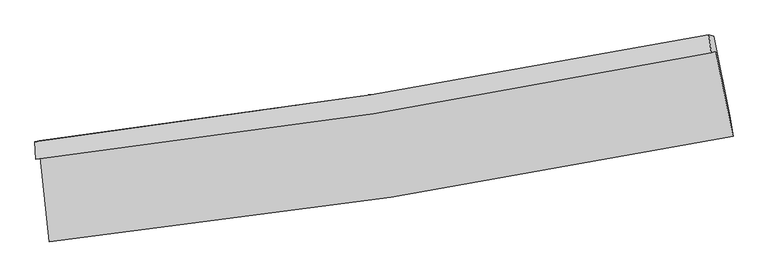
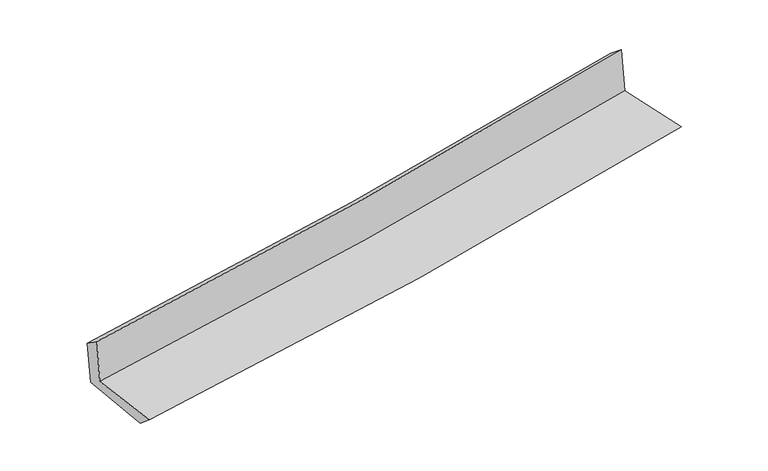
"""IFC4 building model written with IfcOpenShell, lengths in millimetres: proxy geometry."""

import ifcopenshell
import ifcopenshell.guid

model = None  # the IFC model being written
_history = None  # IfcOwnerHistory: only IFC2X3 demands one
_inside = {}  # id of a spatial element -> (the spatial element, [elements in it])
_under = {}  # id of a project, library or spatial element -> (it, [spatial elements below it])
_declared = {}  # id of a project -> (the project, [libraries it declares])
_typed = {}  # id of a type object -> (the type object, [elements of that type])
_made_of = {}  # id of a material, layer set ... -> (it, [elements and type objects made of it])


def new_model(schema):
    """Start an empty IFC model of exactly this schema.

    Asked for "IFC4X3", IfcOpenShell would pick the latest addendum, in which some entities
    have other attributes; the version numbers below select the first issue.
    IFC2X3 requires an IfcOwnerHistory on every rooted entity: one is made here for all.
    """
    global model, _history
    if schema == "IFC4X3":
        model = ifcopenshell.file(schema_version=(4, 3, 0, 0))
    else:
        model = ifcopenshell.file(schema=schema)
    _inside.clear()
    _under.clear()
    _declared.clear()
    _typed.clear()
    _made_of.clear()
    _history = None
    if model.schema == "IFC2X3":
        org = make("IfcOrganization", Name="unknown")
        user = make(
            "IfcPersonAndOrganization",
            ThePerson=make("IfcPerson", FamilyName="unknown"),
            TheOrganization=org,
        )
        app = make(
            "IfcApplication",
            ApplicationDeveloper=org,
            Version="unknown",
            ApplicationFullName="unknown",
            ApplicationIdentifier="unknown",
        )
        _history = make(
            "IfcOwnerHistory",
            OwningUser=user,
            OwningApplication=app,
            ChangeAction="ADDED",
            CreationDate=0,
        )
    return model


def make(cls, **values):
    """One entity of the class cls with the attributes given. An attribute that is None is left unset."""
    return model.create_entity(
        cls, **{name: value for name, value in values.items() if value is not None}
    )


def rooted(cls, **values):
    """An entity with a GlobalId (a new one), such as an element, a storey or a relation."""
    return make(cls, GlobalId=ifcopenshell.guid.new(), OwnerHistory=_history, **values)


def si_unit(unit_type, name, prefix=None):
    """IfcSIUnit, for example si_unit("LENGTHUNIT", "METRE", prefix="MILLI")."""
    return make("IfcSIUnit", UnitType=unit_type, Prefix=prefix, Name=name)


def assignment(units):
    """IfcUnitAssignment: the units of a project."""
    return None if units is None else make("IfcUnitAssignment", Units=units)


def point(xyz):
    """IfcCartesianPoint."""
    return None if xyz is None else make("IfcCartesianPoint", Coordinates=xyz)


def direction(xyz):
    """IfcDirection."""
    return None if xyz is None else make("IfcDirection", DirectionRatios=xyz)


def frame(location, z_axis=None, x_axis=None):
    """IfcAxis2Placement3D, a coordinate frame: its origin and axes. An axis left out is left unset."""
    return make(
        "IfcAxis2Placement3D",
        Location=point(location),
        Axis=direction(z_axis),
        RefDirection=direction(x_axis),
    )


def origin():
    """The frame at (0, 0, 0) with its axes left unset."""
    return frame((0.0, 0.0, 0.0))


def place(relative_to, where):
    """IfcLocalPlacement: puts the frame where relative to a parent placement (None: the world)."""
    return make(
        "IfcLocalPlacement", PlacementRelTo=relative_to, RelativePlacement=where
    )


def context(
    kind, dimensions, precision=None, world=None, true_north=None, identifier=None
):
    """IfcGeometricRepresentationContext, for example the 3D "Model" context."""
    return make(
        "IfcGeometricRepresentationContext",
        ContextIdentifier=identifier,
        ContextType=kind,
        CoordinateSpaceDimension=dimensions,
        Precision=precision,
        WorldCoordinateSystem=world,
        TrueNorth=true_north,
    )


def project(units=None, contexts=None):
    """IfcProject with its units and contexts."""
    return rooted(
        "IfcProject",
        Name="project",
        RepresentationContexts=contexts,
        UnitsInContext=assignment(units),
    )


def spatial(cls, under=None, at=None, **own):
    """A site, building, storey or space (cls), placed at a placement, below another one or the project."""
    s = rooted(cls, ObjectPlacement=at, **own)
    if under is not None:
        _under.setdefault(under.id(), (under, []))[1].append(s)
    return s


def shape(context_of_items, identifier, shape_type, items):
    """IfcShapeRepresentation: the items that make up one representation, for example the "Body"."""
    return make(
        "IfcShapeRepresentation",
        ContextOfItems=context_of_items,
        RepresentationIdentifier=identifier,
        RepresentationType=shape_type,
        Items=items,
    )


def source(mapping_origin, context_of_items, identifier, shape_type, items):
    """IfcRepresentationMap: a shape defined once, which mapped items show again and again."""
    return make(
        "IfcRepresentationMap",
        MappingOrigin=mapping_origin,
        MappedRepresentation=shape(context_of_items, identifier, shape_type, items),
    )


def transform(
    local_origin,
    x_axis=None,
    y_axis=None,
    z_axis=None,
    scale=None,
    scale2=None,
    scale3=None,
    uniform=True,
):
    """IfcCartesianTransformationOperator3D, or its non-uniform kind. x_axis, y_axis, z_axis: its Axis1, 2, 3."""
    if uniform:
        return make(
            "IfcCartesianTransformationOperator3D",
            Axis1=direction(x_axis),
            Axis2=direction(y_axis),
            LocalOrigin=point(local_origin),
            Scale=scale,
            Axis3=direction(z_axis),
        )
    return make(
        "IfcCartesianTransformationOperator3DnonUniform",
        Axis1=direction(x_axis),
        Axis2=direction(y_axis),
        LocalOrigin=point(local_origin),
        Scale=scale,
        Axis3=direction(z_axis),
        Scale2=scale2,
        Scale3=scale3,
    )


def mapped(mapping_source, mapping_target):
    """IfcMappedItem: shows the shape of a source again, moved by a transform."""
    return make(
        "IfcMappedItem", MappingSource=mapping_source, MappingTarget=mapping_target
    )


def made_of(thing, what):
    """Note that an element or type object is made of a material, layer set ...; save() writes the relation."""
    if what is not None:
        _made_of.setdefault(what.id(), (what, []))[1].append(thing)
    return thing


def element(
    cls,
    number,
    at=None,
    inside=None,
    cuts=None,
    type_object=None,
    material=None,
    context=None,
    identifier="Body",
    shape_type=None,
    held_by="IfcProductDefinitionShape",
    body=None,
    shapes=None,
    **own,
):
    """One element of the class cls, such as IfcWall. Its Tag is "e" and its number.

    at: its placement. inside: the storey or other place that contains it. cuts: it is an
    opening in that element (IfcRelVoidsElement). A single representation is given by context,
    identifier, shape_type and body (its items); several are given by shapes. held_by: the class
    of the entity that holds the representations. save() writes the other relations.
    """
    e = rooted(cls, Tag="e%d" % number, ObjectPlacement=at, **own)
    if body is not None:
        shapes = [shape(context, identifier, shape_type, body)]
    if shapes is not None:
        e.Representation = make(held_by, Representations=shapes)
    if inside is not None:
        _inside.setdefault(inside.id(), (inside, []))[1].append(e)
    if cuts is not None:
        rooted(
            "IfcRelVoidsElement", RelatingBuildingElement=cuts, RelatedOpeningElement=e
        )
    if type_object is not None:
        _typed.setdefault(type_object.id(), (type_object, []))[1].append(e)
    return made_of(e, material)


def aggregate(whole, parts):
    """IfcRelAggregates: a whole, such as a stair, and the parts it consists of."""
    return rooted("IfcRelAggregates", RelatingObject=whole, RelatedObjects=parts)


def save(model, path):
    """Write the relations noted so far, then the file.

    IfcRelAggregates (storeys below a building ...), IfcRelContainedInSpatialStructure (elements
    in a storey), IfcRelDefinesByType, IfcRelAssociatesMaterial and IfcRelDeclares: one each for
    every whole, place, type object, material and project.
    """
    for whole, parts in _under.values():
        aggregate(whole, parts)
    for where, things in _inside.values():
        rooted(
            "IfcRelContainedInSpatialStructure",
            RelatedElements=things,
            RelatingStructure=where,
        )
    for kind, things in _typed.values():
        rooted("IfcRelDefinesByType", RelatedObjects=things, RelatingType=kind)
    for what, things in _made_of.values():
        rooted("IfcRelAssociatesMaterial", RelatedObjects=things, RelatingMaterial=what)
    for by, libraries in _declared.values():
        rooted("IfcRelDeclares", RelatingContext=by, RelatedDefinitions=libraries)
    model.write(path)


def plane_surface(at):
    """IfcPlane: the flat surface through the origin of the frame at, square to its z axis."""
    return make("IfcPlane", Position=at)


def spline_curve(degree, points, multiplicities, knots, weights=None):
    """IfcBSplineCurveWithKnots; with weights, IfcRationalBSplineCurveWithKnots."""
    own = dict(
        Degree=degree,
        ControlPointsList=[point(p) for p in points],
        CurveForm="UNSPECIFIED",
        ClosedCurve=False,
        SelfIntersect=False,
        KnotMultiplicities=multiplicities,
        Knots=knots,
        KnotSpec="UNSPECIFIED",
    )
    if weights is None:
        return make("IfcBSplineCurveWithKnots", **own)
    return make("IfcRationalBSplineCurveWithKnots", WeightsData=weights, **own)


def spline_surface(u_degree, v_degree, points, u_multiplicities, v_multiplicities, u_knots, v_knots, weights=None):
    """IfcBSplineSurfaceWithKnots; with weights, IfcRationalBSplineSurfaceWithKnots. points: one row for each step in u."""
    own = dict(
        UDegree=u_degree,
        VDegree=v_degree,
        ControlPointsList=[[point(p) for p in row] for row in points],
        SurfaceForm="UNSPECIFIED",
        UClosed=False,
        VClosed=False,
        SelfIntersect=False,
        UMultiplicities=u_multiplicities,
        VMultiplicities=v_multiplicities,
        UKnots=u_knots,
        VKnots=v_knots,
        KnotSpec="UNSPECIFIED",
    )
    if weights is None:
        return make("IfcBSplineSurfaceWithKnots", **own)
    return make("IfcRationalBSplineSurfaceWithKnots", WeightsData=weights, **own)


def advanced_brep(points, edges, surfaces, faces):
    """IfcAdvancedBrep: a solid bounded by faces that lie on surfaces and meet in shared edges.

    An edge is (start, end): straight between two places in points (the first is 0);
    or (start, end, curve); or (start, end, curve, False) where it runs against its curve.
    A face is (place in surfaces, loops), or (place, loops, False) where it looks against
    its surface's normal. A loop lists edges by number (the first is 1), with a minus sign
    where the edge is run from its end to its start. The first loop is the outer one.
    """
    corners = [point(p) for p in points]
    vertices = [make("IfcVertexPoint", VertexGeometry=c) for c in corners]
    made = []
    for start, end, *more in edges:
        made.append(
            make(
                "IfcEdgeCurve",
                EdgeStart=vertices[start],
                EdgeEnd=vertices[end],
                EdgeGeometry=more[0] if more else make("IfcPolyline", Points=[corners[start], corners[end]]),
                SameSense=more[1] if len(more) > 1 else True,
            )
        )
    hull = []
    for where, loops, *sense in faces:
        bounds = []
        for j, loop in enumerate(loops):
            ring = [make("IfcOrientedEdge", EdgeElement=made[abs(k) - 1], Orientation=k > 0) for k in loop]
            bounds.append(
                make(
                    "IfcFaceOuterBound" if j == 0 else "IfcFaceBound",
                    Bound=make("IfcEdgeLoop", EdgeList=ring),
                    Orientation=True,
                )
            )
        hull.append(make("IfcAdvancedFace", Bounds=bounds, FaceSurface=surfaces[where], SameSense=sense[0] if sense else True))
    return make("IfcAdvancedBrep", Outer=make("IfcClosedShell", CfsFaces=hull))


def generic_models_86358c20(model_context):
    return source(origin(), model_context, "Body", "AdvancedBrep", [
        advanced_brep(
        [(-2663.7321532, -1886.6990429, 1643.2254376), (-2591.7327989, -2546.3247598, 1646.7640519), (2752.9170543, -1722.5396859, 2110.4621953), (2618.5736203, -1058.8994245, 2105.2358688), (-2698.5766402, -1902.108245, 2049.4792111), (2582.6108703, -1071.0859009, 2519.9957365), (-2704.9290744, -1763.7936771, 1951.4951014), (2564.1161495, -930.0174984, 2410.3102462), (-2670.3578163, -1757.8462817, 1559.814735), (2599.9283928, -938.9691455, 2043.5129056), (-2595.8936339, -2415.0605885, 1533.0048401), (2732.4951195, -1581.6456055, 2021.9538565)],
        [
            (0, 1),
            (1, 2, spline_curve(3, [(-2591.7327989, -2546.3247598, 1646.7640519), (-1699.235633972, -2450.087792899, 1720.574450065), (-809.726562747, -2333.747741606, 1795.927916735), (971.881412384, -2059.543086765, 1950.464000466), (1863.922292387, -1901.288113191, 2029.676581645), (2752.9170543, -1722.5396859, 2110.4621953)], [4, 2, 4], [0.0, 8.813479511772645, 17.7121193875907])),
            (2, 3),
            (3, 0, spline_curve(3, [(2618.5736203, -1058.8994245, 2105.2358688), (1739.804652092, -1234.28402354, 2028.340528415), (858.097504742, -1391.202939444, 1951.205729981), (-902.727054149, -1666.784402196, 1797.197691762), (-1781.788498061, -1785.798692126, 1720.32901295), (-2663.7321532, -1886.6990429, 1643.2254376)], [4, 2, 4], [0.0, 8.898639875818056, 17.7121193875907])),
            (4, 0),
            (3, 5),
            (5, 4, spline_curve(3, [(2582.6108703, -1071.0859009, 2519.9957365), (1704.219271646, -1248.197179794, 2442.180830293), (822.793989187, -1406.246433969, 2363.872785588), (-937.659635059, -1682.890778904, 2207.024550302), (-1816.630188934, -1801.848972749, 2128.493753246), (-2698.5766402, -1902.108245, 2049.4792111)], [4, 2, 4], [0.0, 8.848364738202571, 17.61205024757607])),
            (6, 4),
            (5, 7),
            (7, 6, spline_curve(3, [(2564.1161495, -930.0174984, 2410.3102462), (1687.445959097, -1102.577049395, 2331.323706609), (807.898852976, -1258.593080255, 2253.417176273), (-948.504356156, -1536.203343656, 2100.499367417), (-1825.305657794, -1658.112705813, 2025.467515914), (-2704.9290744, -1763.7936771, 1951.4951014)], [4, 2, 4], [0.0, 8.83792256224708, 17.591265827735405])),
            (8, 6),
            (7, 9),
            (9, 8, spline_curve(3, [(2599.9283928, -938.9691455, 2043.5129056), (1723.807466357, -1114.409001026, 1958.599235785), (844.429259077, -1270.604705071, 1875.649816041), (-912.394856925, -1543.197178115, 1714.454508494), (-1789.778719594, -1659.960519404, 1636.171204647), (-2670.3578163, -1757.8462817, 1559.814735)], [4, 2, 4], [0.0, 8.828550116355217, 17.572610630659554])),
            (10, 8),
            (9, 11),
            (11, 10, spline_curve(3, [(2732.4951195, -1581.6456055, 2021.9538565), (1847.534815862, -1767.830848159, 1935.711996474), (958.869619573, -1930.596578661, 1851.659886061), (-817.330537277, -2207.955466669, 1688.718592224), (-1704.794925749, -2322.994730134, 1609.787696834), (-2595.8936339, -2415.0605885, 1533.0048401)], [4, 2, 4], [0.0, 8.879728120806428, 17.67447686387142])),
            (1, 10),
            (11, 2),
        ],
        [
            spline_surface(3, 3, [[(-2663.7321532, -1886.6990429, 1643.2254376), (-1781.788498119, -1785.798692221, 1720.329013065), (-902.727054236, -1666.784402107, 1797.197691674), (858.097504829, -1391.202939535, 1951.205730071), (1739.804652124, -1234.284023512, 2028.340528507), (2618.5736203, -1058.8994245, 2105.2358688)], [(-2639.732368424, -2106.574281866, 1644.404975704), (-1754.270876678, -2007.228392484, 1720.4108254), (-871.726890404, -1889.105515331, 1796.774433344), (896.02547398, -1613.982988584, 1950.958486903), (1781.177198845, -1456.618720094, 2028.785879574), (2663.35476496, -1280.112844947, 2106.977977614)], [(-2615.732583676, -2326.449520834, 1645.584513796), (-1726.753255267, -2228.658092749, 1720.492637725), (-840.726726525, -2111.426628509, 1796.35117499), (933.953443178, -1836.763037588, 1950.71124371), (1822.549745585, -1678.953416735, 2029.231230698), (2708.13590964, -1501.326265453, 2108.720086486)], [(-2591.7327989, -2546.3247598, 1646.7640519), (-1699.235633826, -2450.087793013, 1720.57445006), (-809.726562693, -2333.747741733, 1795.92791666), (971.88141233, -2059.543086637, 1950.464000542), (1863.922292306, -1901.288113317, 2029.676581766), (2752.9170543, -1722.5396859, 2110.4621953)]], [4, 4], [4, 2, 4], [0.0, 2.2166417053186462], [0.0, 8.813479511772645, 17.7121193875907]),
            spline_surface(3, 3, [[(-2698.5766402, -1902.108245, 2049.4792111), (-1816.630188992, -1801.848972854, 2128.493753111), (-937.659634929, -1682.89077897, 2207.024550263), (822.793989056, -1406.246433902, 2363.872785627), (1704.219271792, -1248.19717977, 2442.18083024), (2582.6108703, -1071.0859009, 2519.9957365)], [(-2686.96181118, -1896.971844316, 1914.061286618), (-1805.016292014, -1796.498879326, 1992.43883978), (-926.015441338, -1677.521986697, 2070.415597406), (834.561827673, -1401.231935794, 2226.317100448), (1716.081065233, -1243.559461044, 2304.234063006), (2594.59845363, -1067.023742127, 2381.742447278)], [(-2675.34698222, -1891.835443584, 1778.643362082), (-1793.402395096, -1791.14878575, 1856.383926396), (-914.371247826, -1672.15319438, 1933.806644531), (846.329666212, -1396.217437643, 2088.76141525), (1727.942858683, -1238.921742238, 2166.28729574), (2606.58603697, -1062.961583273, 2243.489158022)], [(-2663.7321532, -1886.6990429, 1643.2254376), (-1781.788498119, -1785.798692221, 1720.329013065), (-902.727054236, -1666.784402107, 1797.197691674), (858.097504829, -1391.202939535, 1951.205730071), (1739.804652124, -1234.284023512, 2028.340528507), (2618.5736203, -1058.8994245, 2105.2358688)]], [4, 4], [4, 2, 4], [0.0, 1.3551540800682613], [0.0, 8.7636855093735, 17.61205024757607]),
            spline_surface(3, 3, [[(-2704.9290744, -1763.7936771, 1951.4951014), (-1825.305657737, -1658.112705841, 2025.467516055), (-948.50435603, -1536.203343792, 2100.49936733), (807.898852848, -1258.593080117, 2253.417176361), (1687.44595915, -1102.577049293, 2331.323706714), (2564.1161495, -930.0174984, 2410.3102462)], [(-2702.811596358, -1809.898533056, 1984.156471286), (-1822.413834847, -1706.024794835, 2059.80959506), (-944.889448999, -1585.099155509, 2136.007761622), (812.863898248, -1307.810864703, 2290.235712763), (1693.037063378, -1151.11709278, 2368.276081241), (2570.281056447, -977.040299228, 2446.872076318)], [(-2700.694118242, -1856.003389044, 2016.817841214), (-1819.522011882, -1753.93688386, 2094.151674106), (-941.27454196, -1633.994967254, 2171.516155972), (817.828943656, -1357.028649317, 2327.054249224), (1698.628167564, -1199.657136283, 2405.228455713), (2576.445963353, -1024.063100072, 2483.433906382)], [(-2698.5766402, -1902.108245, 2049.4792111), (-1816.630188992, -1801.848972854, 2128.493753111), (-937.659634929, -1682.89077897, 2207.024550263), (822.793989056, -1406.246433902, 2363.872785627), (1704.219271792, -1248.19717977, 2442.18083024), (2582.6108703, -1071.0859009, 2519.9957365)]], [4, 4], [4, 2, 4], [0.0, 0.6013952325199804], [0.0, 8.753343265488326, 17.591265827735405]),
            spline_surface(3, 3, [[(-2670.3578163, -1757.8462817, 1559.814735), (-1789.778719459, -1659.960519501, 1636.171204679), (-912.394856925, -1543.197178193, 1714.454508513), (844.429259076, -1270.604704993, 1875.649816021), (1723.807466257, -1114.409000927, 1958.599235733), (2599.9283928, -938.9691455, 2043.5129056)], [(-2681.881568981, -1759.828746831, 1690.374857132), (-1801.6210322, -1659.344581612, 1765.936641803), (-924.431356644, -1540.86590006, 1843.136128131), (832.252456982, -1266.600830035, 2001.57226948), (1711.686963893, -1110.465017045, 2082.840726051), (2587.990978372, -935.98526313, 2165.778685791)], [(-2693.405321719, -1761.811211969, 1820.934979268), (-1813.463344997, -1658.72864373, 1895.702078931), (-936.46785631, -1538.534621925, 1971.817747713), (820.075654942, -1262.596955075, 2127.494722902), (1699.566461514, -1106.521033174, 2207.082216396), (2576.053563928, -933.00138077, 2288.044466009)], [(-2704.9290744, -1763.7936771, 1951.4951014), (-1825.305657737, -1658.112705841, 2025.467516055), (-948.50435603, -1536.203343792, 2100.49936733), (807.898852848, -1258.593080117, 2253.417176361), (1687.44595915, -1102.577049293, 2331.323706714), (2564.1161495, -930.0174984, 2410.3102462)]], [4, 4], [4, 2, 4], [0.0, 1.2588847088235364], [0.0, 8.744060514304337, 17.572610630659554]),
            spline_surface(3, 3, [[(-2595.8936339, -2415.0605885, 1533.0048401), (-1704.794925735, -2322.99473027, 1609.787696842), (-817.330537413, -2207.955466549, 1688.718592139), (958.86961971, -1930.596578782, 1851.659886148), (1847.534815826, -1767.830848179, 1935.711996328), (2732.4951195, -1581.6456055, 2021.9538565)], [(-2620.715028029, -2195.989152905, 1541.941471738), (-1733.122856972, -2101.983326685, 1618.582199459), (-849.018643918, -1986.36937043, 1697.297230933), (920.722832831, -1710.599287518, 1859.656529442), (1806.292365953, -1550.023565759, 1943.341076133), (2688.306210583, -1367.420118831, 2029.140206204)], [(-2645.536422171, -1976.917717295, 1550.878103362), (-1761.450788223, -1880.971923086, 1627.376702062), (-880.706750419, -1764.783274312, 1705.875869719), (882.576045955, -1490.601996257, 1867.653172728), (1765.04991613, -1332.216283347, 1950.970155927), (2644.117301717, -1153.194632169, 2036.326555896)], [(-2670.3578163, -1757.8462817, 1559.814735), (-1789.778719459, -1659.960519501, 1636.171204679), (-912.394856925, -1543.197178193, 1714.454508513), (844.429259076, -1270.604704993, 1875.649816021), (1723.807466257, -1114.409000927, 1958.599235733), (2599.9283928, -938.9691455, 2043.5129056)]], [4, 4], [4, 2, 4], [0.0, 2.20163749879325], [0.0, 8.794748743064991, 17.67447686387142]),
            spline_surface(3, 3, [[(-2591.7327989, -2546.3247598, 1646.7640519), (-1699.235633826, -2450.087793013, 1720.57445006), (-809.726562693, -2333.747741733, 1795.92791666), (971.88141233, -2059.543086637, 1950.464000542), (1863.922292306, -1901.288113317, 2029.676581766), (2752.9170543, -1722.5396859, 2110.4621953)], [(-2593.119743928, -2502.570036026, 1608.844314622), (-1701.088731157, -2407.723438758, 1683.645532309), (-812.261220922, -2291.816983318, 1760.191475143), (967.544148134, -2016.560917332, 1917.529295734), (1858.459800154, -1856.802358276, 1998.355053282), (2746.109742708, -1675.574992438, 2080.959415695)], [(-2594.506688872, -2458.815312274, 1570.924577378), (-1702.941828404, -2365.359084525, 1646.716614593), (-814.795879184, -2249.886224964, 1724.455033656), (963.206883906, -1973.578748087, 1884.594590955), (1852.997307979, -1812.316603221, 1967.033524812), (2739.302431092, -1628.610298962, 2051.456636105)], [(-2595.8936339, -2415.0605885, 1533.0048401), (-1704.794925735, -2322.99473027, 1609.787696842), (-817.330537413, -2207.955466549, 1688.718592139), (958.86961971, -1930.596578782, 1851.659886148), (1847.534815826, -1767.830848179, 1935.711996328), (2732.4951195, -1581.6456055, 2021.9538565)]], [4, 4], [4, 2, 4], [0.0, 0.5384548817566215], [0.0, 8.853789028305297, 17.793127911900392]),
            plane_surface(frame((2641.7735344, -1217.1928768, 2201.9118015), z_axis=(0.9759630091136221, 0.19828052371666888, 0.0904490948353136), x_axis=(-0.09714425089684976, 0.024282227894177152, 0.9949740538959723))),
            plane_surface(frame((-2654.2036862, -2045.3054325, 1730.6305628), z_axis=(-0.9900956917154677, -0.108548408303747, -0.08903799358247515), x_axis=(-0.10850581632152193, 0.9940815101191525, -0.005332828857723497))),
        ],
        [
            (0, [[1, 2, 3, 4]]),
            (1, [[5, -4, 6, 7]]),
            (2, [[8, -7, 9, 10]]),
            (3, [[11, -10, 12, 13]]),
            (4, [[14, -13, 15, 16]]),
            (5, [[17, -16, 18, -2]]),
            (6, [[-12, -9, -6, -3, -18, -15]]),
            (7, [[-1, -5, -8, -11, -14, -17]]),
        ],
    ),
    ])


if __name__ == "__main__":
    model = new_model("IFC4")
    model_context = context("Model", 3, world=origin())
    ifc_project = project(units=[si_unit("LENGTHUNIT", "METRE", prefix="MILLI")], contexts=[model_context])
    site = spatial("IfcSite", under=ifc_project)
    building = spatial("IfcBuilding", under=site)
    placement = place(None, origin())
    generic_models_shape = generic_models_86358c20(model_context)
    element("IfcBuildingElementProxy", 1, Name="Generic Models", at=placement, inside=building, context=model_context, shape_type="MappedRepresentation", body=[
        mapped(generic_models_shape, transform((0.0, 0.0, 0.0), x_axis=(1.0, 0.0, 0.0), y_axis=(0.0, 1.0, 0.0), z_axis=(0.0, 0.0, 1.0))),
    ])
    save(model, "model.ifc")
